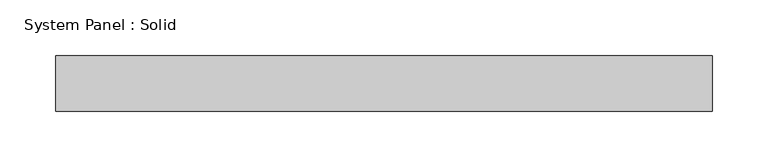
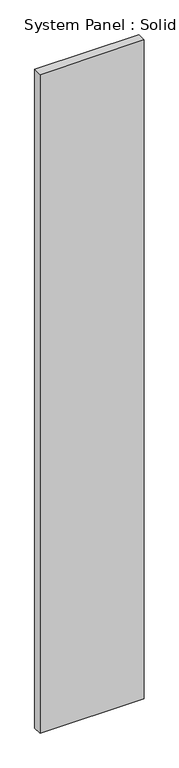
"""IFC4 building model written with IfcOpenShell, lengths in millimetres: plate geometry, System Panel : Solid."""

from ifc_helpers import new_model, si_unit, origin, origin_with_axes, place, context, project, spatial, polyline, outline, extrude, source, transform, mapped, element, save


def system_panel_solid_dc5d4532(model_context):
    return source(origin(), model_context, "Body", "SweptSolid", [
        extrude(outline(polyline([(295.1934992, -25.0), (-295.1934992, -25.0), (-295.1934992, 25.0), (295.1934992, 25.0), (295.1934992, -25.0)])), origin_with_axes(), (0.0, 0.0, 1.0), 3940.0),
    ])


if __name__ == "__main__":
    model = new_model("IFC4")
    model_context = context("Model", 3, world=origin())
    ifc_project = project(units=[si_unit("LENGTHUNIT", "METRE", prefix="MILLI")], contexts=[model_context])
    site = spatial("IfcSite", under=ifc_project)
    building = spatial("IfcBuilding", under=site)
    placement = place(None, origin())
    system_panel_solid_shape = system_panel_solid_dc5d4532(model_context)
    element("IfcPlate", 1, ObjectType="System Panel : Solid", at=placement, inside=building, context=model_context, shape_type="MappedRepresentation", body=[
        mapped(system_panel_solid_shape, transform((0.0, 0.0, 0.0), x_axis=(1.0, 0.0, 0.0), y_axis=(0.0, 1.0, 0.0), z_axis=(0.0, 0.0, 1.0))),
    ])
    save(model, "model.ifc")
